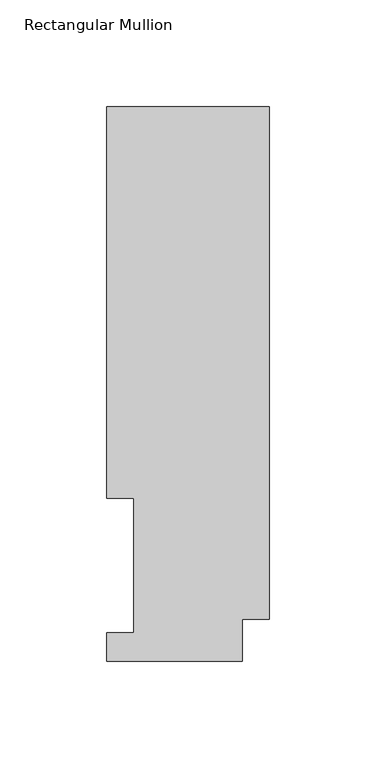
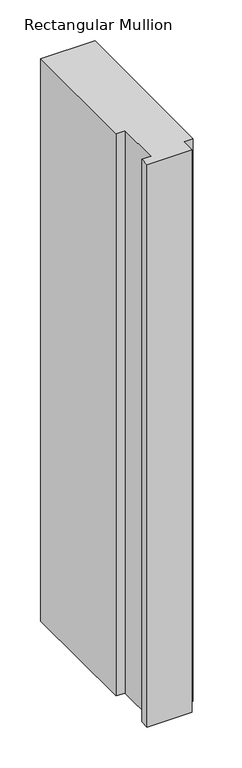
"""IFC4 building model written with IfcOpenShell, lengths in millimetres: member geometry, Rectangular Mullion."""

from ifc_helpers import new_model, si_unit, frame, origin, place, context, project, spatial, polyline, outline, extrude, source, transform, mapped, element, save


def rectangular_mullion_e7a8ec7b(model_context):
    return source(origin(), model_context, "Body", "SweptSolid", [
        extrude(outline(polyline([(-76.2, 259.9671074), (0.0, 259.9671074), (0.0, 19.5088257), (-12.7, 19.5088257), (-12.7, -0.0333811), (-76.2, -0.0333811), (-76.2, 13.1492189), (-63.5, 13.1492189), (-63.5, 76.2992187), (-76.2, 76.2992187), (-76.2, 259.9671074)])), frame((0.0, 0.0, -838.2), z_axis=(0.0, 0.0, 1.0), x_axis=(1.0, 0.0, 0.0)), (0.0, 0.0, 1.0), 838.2),
    ])


if __name__ == "__main__":
    model = new_model("IFC4")
    model_context = context("Model", 3, world=origin())
    ifc_project = project(units=[si_unit("LENGTHUNIT", "METRE", prefix="MILLI")], contexts=[model_context])
    site = spatial("IfcSite", under=ifc_project)
    building = spatial("IfcBuilding", under=site)
    placement = place(None, origin())
    rectangular_mullion_shape = rectangular_mullion_e7a8ec7b(model_context)
    element("IfcMember", 1, ObjectType="Rectangular Mullion", at=placement, inside=building, context=model_context, shape_type="MappedRepresentation", body=[
        mapped(rectangular_mullion_shape, transform((0.0, 0.0, 0.0), x_axis=(1.0, 0.0, 0.0), y_axis=(0.0, 1.0, 0.0), z_axis=(0.0, 0.0, 1.0))),
    ])
    save(model, "model.ifc")
